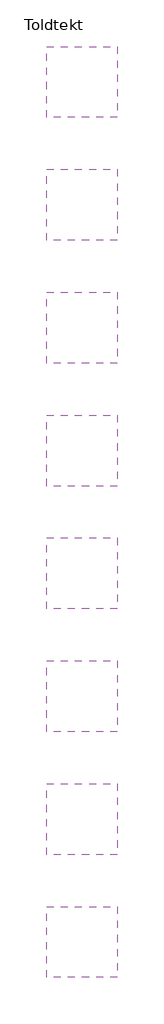
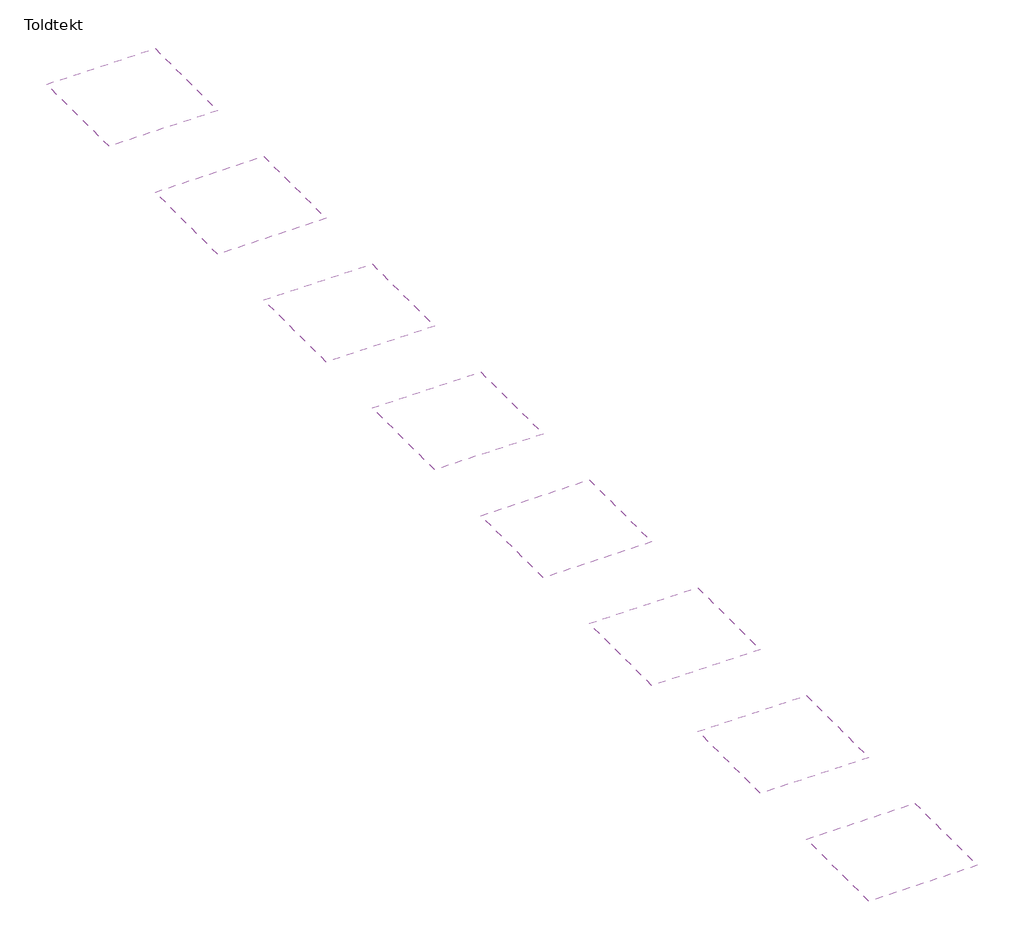
# One storey: 8 coverings.
"""IFC4 building model written with IfcOpenShell, lengths in millimetres."""

from ifc_helpers import new_model, si_unit, frame, origin, place, context, project, spatial, polyline, outline, extrude, element, save

model = new_model("IFC4")

# Units and contexts
model_context = context("Model", 3, world=origin())
ifc_project = project(units=[si_unit("LENGTHUNIT", "METRE", prefix="MILLI")], contexts=[model_context])

# Site, building, storey
site = spatial("IfcSite", under=ifc_project)
building = spatial("IfcBuilding", under=site)
storey = spatial("IfcBuildingStorey", under=building, Name="Toldtekt", Elevation=0.0)

# Coverings
placement = place(None, origin())
element("IfcCovering", 1, at=placement, inside=storey, context=model_context, shape_type="SweptSolid", body=[
    extrude(outline(polyline([(17169.5723108, 34562.9855223), (17169.5723108, 31562.9855223), (14169.5723108, 31562.9855223), (14169.5723108, 34562.9855223), (17169.5723108, 34562.9855223)])), frame((0.0, 0.0, 2600.0), z_axis=(0.0, 0.0, 1.0), x_axis=(1.0, 0.0, 0.0)), (0.0, 0.0, 1.0), 52.0),
])
element("IfcCovering", 2, at=placement, inside=storey, context=model_context, shape_type="SweptSolid", body=[
    extrude(outline(polyline([(17169.5723108, 29362.9976165), (17169.5723108, 26362.9976165), (14169.5723108, 26362.9976165), (14169.5723108, 29362.9976165), (17169.5723108, 29362.9976165)])), frame((0.0, 0.0, 2600.0), z_axis=(0.0, 0.0, 1.0), x_axis=(1.0, 0.0, 0.0)), (0.0, 0.0, 1.0), 52.0),
])
element("IfcCovering", 3, at=placement, inside=storey, context=model_context, shape_type="SweptSolid", body=[
    extrude(outline(polyline([(17169.5723108, 24163.0097108), (17169.5723108, 21163.0097108), (14169.5723108, 21163.0097108), (14169.5723108, 24163.0097108), (17169.5723108, 24163.0097108)])), frame((0.0, 0.0, 2600.0), z_axis=(0.0, 0.0, 1.0), x_axis=(1.0, 0.0, 0.0)), (0.0, 0.0, 1.0), 52.0),
])
element("IfcCovering", 4, at=placement, inside=storey, context=model_context, shape_type="SweptSolid", body=[
    extrude(outline(polyline([(17169.5723108, 13763.0338993), (17169.5723108, 10763.0338993), (14169.5723108, 10763.0338993), (14169.5723108, 13763.0338993), (17169.5723108, 13763.0338993)])), frame((0.0, 0.0, 2600.0), z_axis=(0.0, 0.0, 1.0), x_axis=(1.0, 0.0, 0.0)), (0.0, 0.0, 1.0), 52.0),
])
element("IfcCovering", 5, at=placement, inside=storey, context=model_context, shape_type="SweptSolid", body=[
    extrude(outline(polyline([(17169.5723108, 8563.0459935), (17169.5723108, 5563.0459935), (14169.5723108, 5563.0459935), (14169.5723108, 8563.0459935), (17169.5723108, 8563.0459935)])), frame((0.0, 0.0, 2600.0), z_axis=(0.0, 0.0, 1.0), x_axis=(1.0, 0.0, 0.0)), (0.0, 0.0, 1.0), 52.0),
])
element("IfcCovering", 6, at=placement, inside=storey, context=model_context, shape_type="SweptSolid", body=[
    extrude(outline(polyline([(17169.5723108, 3363.0580878), (17169.5723108, 363.0580878), (14169.5723108, 363.0580878), (14169.5723108, 3363.0580878), (17169.5723108, 3363.0580878)])), frame((0.0, 0.0, 2600.0), z_axis=(0.0, 0.0, 1.0), x_axis=(1.0, 0.0, 0.0)), (0.0, 0.0, 1.0), 52.0),
])
element("IfcCovering", 7, at=placement, inside=storey, context=model_context, shape_type="SweptSolid", body=[
    extrude(outline(polyline([(17169.5723108, 18963.021805), (17169.5723108, 15963.021805), (14169.5723108, 15963.021805), (14169.5723108, 18963.021805), (17169.5723108, 18963.021805)])), frame((0.0, 0.0, 2600.0), z_axis=(0.0, 0.0, 1.0), x_axis=(1.0, 0.0, 0.0)), (0.0, 0.0, 1.0), 52.0),
])
element("IfcCovering", 8, at=placement, inside=storey, context=model_context, shape_type="SweptSolid", body=[
    extrude(outline(polyline([(17169.5723108, -1836.929818), (17169.5723108, -4836.929818), (14169.5723108, -4836.929818), (14169.5723108, -1836.929818), (17169.5723108, -1836.929818)])), frame((0.0, 0.0, 2600.0), z_axis=(0.0, 0.0, 1.0), x_axis=(1.0, 0.0, 0.0)), (0.0, 0.0, 1.0), 52.0),
])

save(model, "model.ifc")
